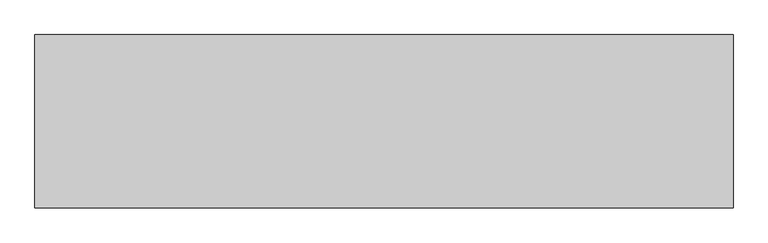
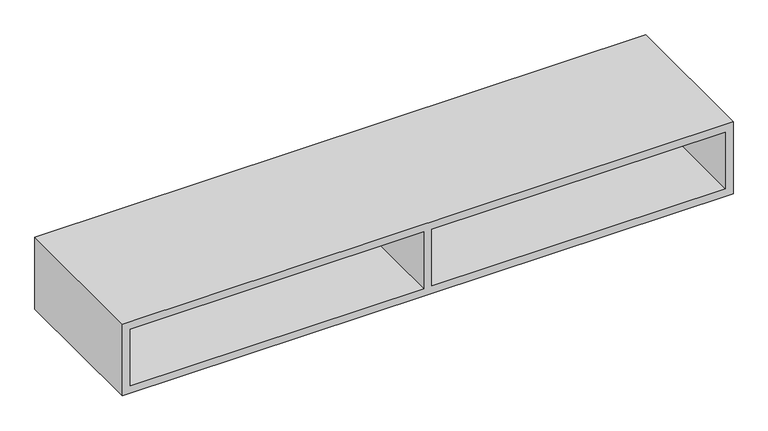
"""IFC4 building model written with IfcOpenShell, lengths in millimetres: furniture geometry."""

from ifc_helpers import new_model, si_unit, origin, place, context, project, spatial, faceted_brep, source, transform, mapped, element, save


def furniture_76913b14(model_context):
    return source(origin(), model_context, "Body", "Brep", [
        faceted_brep([(20.1673737, 32.7150845, 1115.6696643), (20.1673737, 32.7150845, 1264.8184093), (1502.8166263, 32.7150845, 1264.8184093), (1502.8166263, 32.7150845, 1115.6696643), (751.4084682, -320.802, 1115.6696643), (751.4084682, -320.802, 1264.8184093), (751.4084682, 12.5477108, 1264.8184093), (751.4084682, 12.5477108, 1115.6696643), (0.0, -320.802, 1095.502), (1522.984, -320.802, 1095.502), (1522.984, -320.802, 1115.6696643), (1522.984, -320.802, 1264.8184093), (1522.984, -320.802, 1284.9860736), (0.0, -320.802, 1284.9860736), (0.0, -320.802, 1264.8184093), (0.0, -320.802, 1115.6696643), (20.1673737, -320.802, 1115.6696643), (20.1673737, -320.802, 1264.8184093), (771.5755318, -320.802, 1115.6696643), (771.5755318, -320.802, 1264.8184093), (1502.8166263, -320.802, 1264.8184093), (1502.8166263, -320.802, 1115.6696643), (771.5755318, 12.5477108, 1115.6696643), (771.5755318, 12.5477108, 1264.8184093), (20.1673737, 12.5477108, 1115.6696643), (1502.8166263, 12.5477108, 1115.6696643), (1502.8166263, 57.15, 1115.6696643), (20.1673737, 57.15, 1115.6696643), (0.0, 57.15, 1095.502), (1522.984, 57.15, 1095.502), (0.0, 57.15, 1284.9860736), (1522.984, 57.15, 1284.9860736), (1502.8166263, 57.15, 1264.8184093), (20.1673737, 57.15, 1264.8184093), (20.1673737, 12.5477108, 1264.8184093), (1502.8166263, 12.5477108, 1264.8184093)], [[[0, 1, 2, 3]], [[4, 5, 6, 7]], [[8, 9, 10, 11, 12, 13, 14, 15], [5, 4, 16, 17], [18, 19, 20, 21]], [[19, 18, 22, 23]], [[16, 4, 7, 24]], [[18, 21, 25, 22]], [[26, 27, 0, 3]], [[8, 28, 29, 9]], [[28, 30, 31, 29], [27, 26, 32, 33]], [[30, 13, 12, 31]], [[13, 30, 28, 8, 15, 14]], [[17, 16, 24, 34]], [[27, 33, 1, 0]], [[31, 12, 11, 10, 9, 29]], [[21, 20, 35, 25]], [[32, 26, 3, 2]], [[5, 17, 34, 6]], [[20, 19, 23, 35]], [[33, 32, 2, 1]], [[7, 6, 34, 24]], [[23, 22, 25, 35]]]),
    ])


if __name__ == "__main__":
    model = new_model("IFC4")
    model_context = context("Model", 3, world=origin())
    ifc_project = project(units=[si_unit("LENGTHUNIT", "METRE", prefix="MILLI")], contexts=[model_context])
    site = spatial("IfcSite", under=ifc_project)
    building = spatial("IfcBuilding", under=site)
    placement = place(None, origin())
    furniture_shape = furniture_76913b14(model_context)
    element("IfcFurniture", 1, at=placement, inside=building, context=model_context, shape_type="MappedRepresentation", body=[
        mapped(furniture_shape, transform((0.0, 0.0, 0.0), x_axis=(1.0, 0.0, 0.0), y_axis=(0.0, 1.0, 0.0), z_axis=(0.0, 0.0, 1.0))),
    ])
    save(model, "model.ifc")
